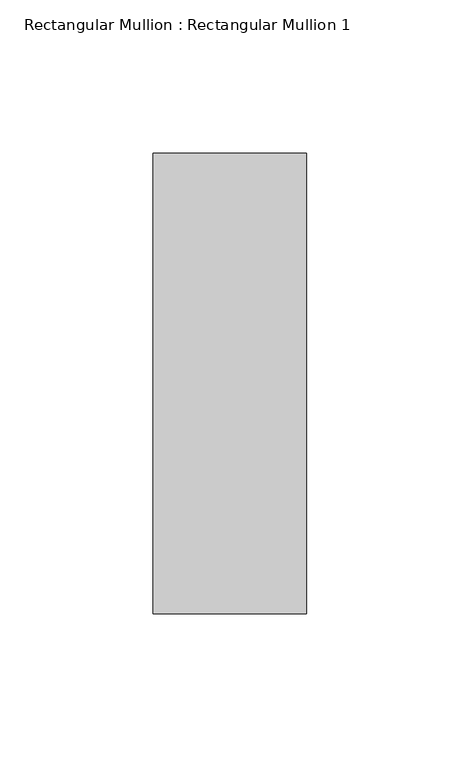
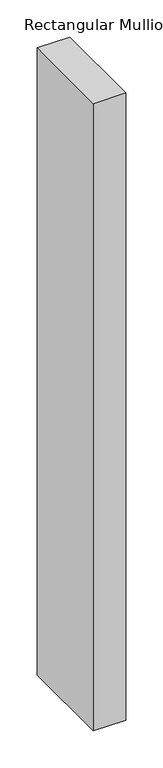
"""IFC4 building model written with IfcOpenShell, lengths in millimetres: member geometry, Rectangular Mullion : Rectangular Mullion 1."""

from ifc_helpers import new_model, si_unit, frame, origin, place, context, project, spatial, polyline, outline, extrude, source, transform, mapped, element, save


def rectangular_mullion_rectangular_mullion_1_e0982682(model_context):
    return source(origin(), model_context, "Body", "SweptSolid", [
        extrude(outline(polyline([(0.0, 75.0), (0.0, -75.0), (-50.0, -75.0), (-50.0, 75.0), (0.0, 75.0)])), frame((0.0, 0.0, -1026.5), z_axis=(0.0, 0.0, 1.0), x_axis=(1.0, 0.0, 0.0)), (0.0, 0.0, 1.0), 1026.5),
    ])


if __name__ == "__main__":
    model = new_model("IFC4")
    model_context = context("Model", 3, world=origin())
    ifc_project = project(units=[si_unit("LENGTHUNIT", "METRE", prefix="MILLI")], contexts=[model_context])
    site = spatial("IfcSite", under=ifc_project)
    building = spatial("IfcBuilding", under=site)
    placement = place(None, origin())
    rectangular_mullion_rectangular_mullion_1_shape = rectangular_mullion_rectangular_mullion_1_e0982682(model_context)
    element("IfcMember", 1, ObjectType="Rectangular Mullion : Rectangular Mullion 1", at=placement, inside=building, context=model_context, shape_type="MappedRepresentation", body=[
        mapped(rectangular_mullion_rectangular_mullion_1_shape, transform((0.0, 0.0, 0.0), x_axis=(1.0, 0.0, 0.0), y_axis=(0.0, 1.0, 0.0), z_axis=(0.0, 0.0, 1.0))),
    ])
    save(model, "model.ifc")
